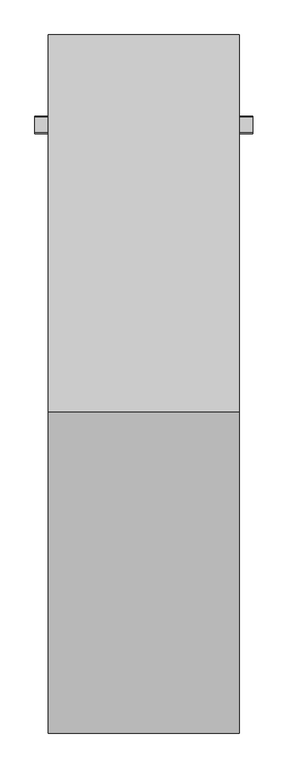
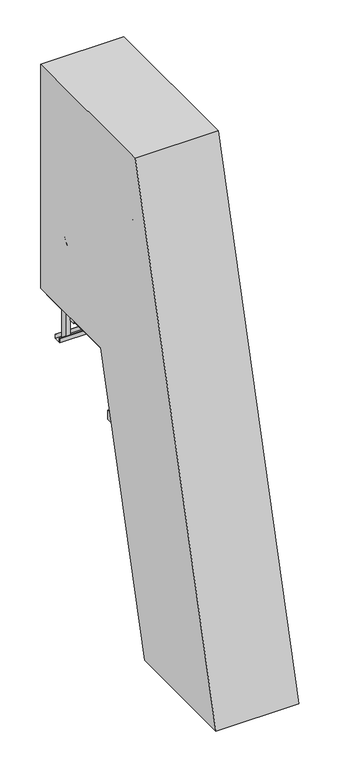
"""IFC4 building model written with IfcOpenShell, lengths in millimetres: proxy geometry."""

import ifcopenshell
import ifcopenshell.guid

model = None  # the IFC model being written
_history = None  # IfcOwnerHistory: only IFC2X3 demands one
_inside = {}  # id of a spatial element -> (the spatial element, [elements in it])
_under = {}  # id of a project, library or spatial element -> (it, [spatial elements below it])
_declared = {}  # id of a project -> (the project, [libraries it declares])
_typed = {}  # id of a type object -> (the type object, [elements of that type])
_made_of = {}  # id of a material, layer set ... -> (it, [elements and type objects made of it])


def new_model(schema):
    """Start an empty IFC model of exactly this schema.

    Asked for "IFC4X3", IfcOpenShell would pick the latest addendum, in which some entities
    have other attributes; the version numbers below select the first issue.
    IFC2X3 requires an IfcOwnerHistory on every rooted entity: one is made here for all.
    """
    global model, _history
    if schema == "IFC4X3":
        model = ifcopenshell.file(schema_version=(4, 3, 0, 0))
    else:
        model = ifcopenshell.file(schema=schema)
    _inside.clear()
    _under.clear()
    _declared.clear()
    _typed.clear()
    _made_of.clear()
    _history = None
    if model.schema == "IFC2X3":
        org = make("IfcOrganization", Name="unknown")
        user = make(
            "IfcPersonAndOrganization",
            ThePerson=make("IfcPerson", FamilyName="unknown"),
            TheOrganization=org,
        )
        app = make(
            "IfcApplication",
            ApplicationDeveloper=org,
            Version="unknown",
            ApplicationFullName="unknown",
            ApplicationIdentifier="unknown",
        )
        _history = make(
            "IfcOwnerHistory",
            OwningUser=user,
            OwningApplication=app,
            ChangeAction="ADDED",
            CreationDate=0,
        )
    return model


def make(cls, **values):
    """One entity of the class cls with the attributes given. An attribute that is None is left unset."""
    return model.create_entity(
        cls, **{name: value for name, value in values.items() if value is not None}
    )


def rooted(cls, **values):
    """An entity with a GlobalId (a new one), such as an element, a storey or a relation."""
    return make(cls, GlobalId=ifcopenshell.guid.new(), OwnerHistory=_history, **values)


def si_unit(unit_type, name, prefix=None):
    """IfcSIUnit, for example si_unit("LENGTHUNIT", "METRE", prefix="MILLI")."""
    return make("IfcSIUnit", UnitType=unit_type, Prefix=prefix, Name=name)


def assignment(units):
    """IfcUnitAssignment: the units of a project."""
    return None if units is None else make("IfcUnitAssignment", Units=units)


def point(xyz):
    """IfcCartesianPoint."""
    return None if xyz is None else make("IfcCartesianPoint", Coordinates=xyz)


def direction(xyz):
    """IfcDirection."""
    return None if xyz is None else make("IfcDirection", DirectionRatios=xyz)


def frame(location, z_axis=None, x_axis=None):
    """IfcAxis2Placement3D, a coordinate frame: its origin and axes. An axis left out is left unset."""
    return make(
        "IfcAxis2Placement3D",
        Location=point(location),
        Axis=direction(z_axis),
        RefDirection=direction(x_axis),
    )


def frame_2d(location, x_axis=None):
    """IfcAxis2Placement2D, a coordinate frame in the plane: its origin and x axis."""
    return make(
        "IfcAxis2Placement2D", Location=point(location), RefDirection=direction(x_axis)
    )


def origin():
    """The frame at (0, 0, 0) with its axes left unset."""
    return frame((0.0, 0.0, 0.0))


def place(relative_to, where):
    """IfcLocalPlacement: puts the frame where relative to a parent placement (None: the world)."""
    return make(
        "IfcLocalPlacement", PlacementRelTo=relative_to, RelativePlacement=where
    )


def context(
    kind, dimensions, precision=None, world=None, true_north=None, identifier=None
):
    """IfcGeometricRepresentationContext, for example the 3D "Model" context."""
    return make(
        "IfcGeometricRepresentationContext",
        ContextIdentifier=identifier,
        ContextType=kind,
        CoordinateSpaceDimension=dimensions,
        Precision=precision,
        WorldCoordinateSystem=world,
        TrueNorth=true_north,
    )


def project(units=None, contexts=None):
    """IfcProject with its units and contexts."""
    return rooted(
        "IfcProject",
        Name="project",
        RepresentationContexts=contexts,
        UnitsInContext=assignment(units),
    )


def spatial(cls, under=None, at=None, **own):
    """A site, building, storey or space (cls), placed at a placement, below another one or the project."""
    s = rooted(cls, ObjectPlacement=at, **own)
    if under is not None:
        _under.setdefault(under.id(), (under, []))[1].append(s)
    return s


def polyline(points):
    """IfcPolyline through the points."""
    return make("IfcPolyline", Points=[point(p) for p in points])


def circle_curve(where, radius):
    """IfcCircle in the frame where."""
    return make("IfcCircle", Position=where, Radius=radius)


def ellipse_curve(where, semi_axis1, semi_axis2):
    """IfcEllipse in the frame where."""
    return make(
        "IfcEllipse", Position=where, SemiAxis1=semi_axis1, SemiAxis2=semi_axis2
    )


def trimmed(basis, trim1, trim2, sense, master):
    """IfcTrimmedCurve: the piece of a basis curve between two trims."""
    return make(
        "IfcTrimmedCurve",
        BasisCurve=basis,
        Trim1=trim1,
        Trim2=trim2,
        SenseAgreement=sense,
        MasterRepresentation=master,
    )


def segment(curve, same_sense, transition):
    """IfcCompositeCurveSegment."""
    return make(
        "IfcCompositeCurveSegment",
        Transition=transition,
        SameSense=same_sense,
        ParentCurve=curve,
    )


def composite_curve(segments, self_intersect=None):
    """IfcCompositeCurve: segments joined end to end."""
    return make("IfcCompositeCurve", Segments=segments, SelfIntersect=self_intersect)


def outline(outer, holes=None, kind="AREA"):
    """IfcArbitraryClosedProfileDef: a profile drawn as a closed curve; with holes, ...WithVoids."""
    if holes is None:
        return make("IfcArbitraryClosedProfileDef", ProfileType=kind, OuterCurve=outer)
    return make(
        "IfcArbitraryProfileDefWithVoids",
        ProfileType=kind,
        OuterCurve=outer,
        InnerCurves=holes,
    )


def extrude(swept, where, along, depth):
    """IfcExtrudedAreaSolid: the profile swept, set in the frame where, extruded along a direction by depth."""
    return make(
        "IfcExtrudedAreaSolid",
        SweptArea=swept,
        Position=where,
        ExtrudedDirection=direction(along),
        Depth=depth,
    )


def faces_of(points, faces, orient=None, outer=None):
    """IfcFace entities. A face is a list of loops; a loop is a list of indices into points, from 0.

    orient and outer hold one flag for each loop. By default every Orientation is true, the
    first loop of a face is its IfcFaceOuterBound and the others are IfcFaceBound.
    """
    made = []
    for i, loops in enumerate(faces):
        bounds = []
        for j, loop in enumerate(loops):
            is_outer = j == 0 if outer is None else outer[i][j]
            bounds.append(
                make(
                    "IfcFaceOuterBound" if is_outer else "IfcFaceBound",
                    Bound=make("IfcPolyLoop", Polygon=[points[k] for k in loop]),
                    Orientation=True if orient is None else orient[i][j],
                )
            )
        made.append(make("IfcFace", Bounds=bounds))
    return made


def faceted_brep(points, faces, orient=None, outer=None, voids=None):
    """IfcFacetedBrep: a solid bounded by flat faces; with voids (closed shells), ...WithVoids."""
    shared = [point(p) for p in points]
    hull = make("IfcClosedShell", CfsFaces=faces_of(shared, faces, orient, outer))
    if voids is None:
        return make("IfcFacetedBrep", Outer=hull)
    return make(
        "IfcFacetedBrepWithVoids",
        Outer=hull,
        Voids=[
            make(cls, CfsFaces=faces_of(shared, fs, o, b)) for cls, fs, o, b in voids
        ],
    )


def shape(context_of_items, identifier, shape_type, items):
    """IfcShapeRepresentation: the items that make up one representation, for example the "Body"."""
    return make(
        "IfcShapeRepresentation",
        ContextOfItems=context_of_items,
        RepresentationIdentifier=identifier,
        RepresentationType=shape_type,
        Items=items,
    )


def source(mapping_origin, context_of_items, identifier, shape_type, items):
    """IfcRepresentationMap: a shape defined once, which mapped items show again and again."""
    return make(
        "IfcRepresentationMap",
        MappingOrigin=mapping_origin,
        MappedRepresentation=shape(context_of_items, identifier, shape_type, items),
    )


def transform(
    local_origin,
    x_axis=None,
    y_axis=None,
    z_axis=None,
    scale=None,
    scale2=None,
    scale3=None,
    uniform=True,
):
    """IfcCartesianTransformationOperator3D, or its non-uniform kind. x_axis, y_axis, z_axis: its Axis1, 2, 3."""
    if uniform:
        return make(
            "IfcCartesianTransformationOperator3D",
            Axis1=direction(x_axis),
            Axis2=direction(y_axis),
            LocalOrigin=point(local_origin),
            Scale=scale,
            Axis3=direction(z_axis),
        )
    return make(
        "IfcCartesianTransformationOperator3DnonUniform",
        Axis1=direction(x_axis),
        Axis2=direction(y_axis),
        LocalOrigin=point(local_origin),
        Scale=scale,
        Axis3=direction(z_axis),
        Scale2=scale2,
        Scale3=scale3,
    )


def mapped(mapping_source, mapping_target):
    """IfcMappedItem: shows the shape of a source again, moved by a transform."""
    return make(
        "IfcMappedItem", MappingSource=mapping_source, MappingTarget=mapping_target
    )


def made_of(thing, what):
    """Note that an element or type object is made of a material, layer set ...; save() writes the relation."""
    if what is not None:
        _made_of.setdefault(what.id(), (what, []))[1].append(thing)
    return thing


def element(
    cls,
    number,
    at=None,
    inside=None,
    cuts=None,
    type_object=None,
    material=None,
    context=None,
    identifier="Body",
    shape_type=None,
    held_by="IfcProductDefinitionShape",
    body=None,
    shapes=None,
    **own,
):
    """One element of the class cls, such as IfcWall. Its Tag is "e" and its number.

    at: its placement. inside: the storey or other place that contains it. cuts: it is an
    opening in that element (IfcRelVoidsElement). A single representation is given by context,
    identifier, shape_type and body (its items); several are given by shapes. held_by: the class
    of the entity that holds the representations. save() writes the other relations.
    """
    e = rooted(cls, Tag="e%d" % number, ObjectPlacement=at, **own)
    if body is not None:
        shapes = [shape(context, identifier, shape_type, body)]
    if shapes is not None:
        e.Representation = make(held_by, Representations=shapes)
    if inside is not None:
        _inside.setdefault(inside.id(), (inside, []))[1].append(e)
    if cuts is not None:
        rooted(
            "IfcRelVoidsElement", RelatingBuildingElement=cuts, RelatedOpeningElement=e
        )
    if type_object is not None:
        _typed.setdefault(type_object.id(), (type_object, []))[1].append(e)
    return made_of(e, material)


def aggregate(whole, parts):
    """IfcRelAggregates: a whole, such as a stair, and the parts it consists of."""
    return rooted("IfcRelAggregates", RelatingObject=whole, RelatedObjects=parts)


def save(model, path):
    """Write the relations noted so far, then the file.

    IfcRelAggregates (storeys below a building ...), IfcRelContainedInSpatialStructure (elements
    in a storey), IfcRelDefinesByType, IfcRelAssociatesMaterial and IfcRelDeclares: one each for
    every whole, place, type object, material and project.
    """
    for whole, parts in _under.values():
        aggregate(whole, parts)
    for where, things in _inside.values():
        rooted(
            "IfcRelContainedInSpatialStructure",
            RelatedElements=things,
            RelatingStructure=where,
        )
    for kind, things in _typed.values():
        rooted("IfcRelDefinesByType", RelatedObjects=things, RelatingType=kind)
    for what, things in _made_of.values():
        rooted("IfcRelAssociatesMaterial", RelatedObjects=things, RelatingMaterial=what)
    for by, libraries in _declared.values():
        rooted("IfcRelDeclares", RelatingContext=by, RelatedDefinitions=libraries)
    model.write(path)


def plane_surface(at):
    """IfcPlane: the flat surface through the origin of the frame at, square to its z axis."""
    return make("IfcPlane", Position=at)


def cylinder_surface(at, radius):
    """IfcCylindricalSurface: all points at the distance radius from the z axis of the frame at."""
    return make("IfcCylindricalSurface", Position=at, Radius=radius)


def revolved_surface(curve, axis_point, axis_direction):
    """IfcSurfaceOfRevolution: the curve turned about the line through axis_point along axis_direction."""
    return make(
        "IfcSurfaceOfRevolution",
        SweptCurve=make("IfcArbitraryOpenProfileDef", ProfileType="CURVE", Curve=curve),
        AxisPosition=make("IfcAxis1Placement", Location=point(axis_point), Axis=direction(axis_direction)),
    )


def advanced_brep(points, edges, surfaces, faces):
    """IfcAdvancedBrep: a solid bounded by faces that lie on surfaces and meet in shared edges.

    An edge is (start, end): straight between two places in points (the first is 0);
    or (start, end, curve); or (start, end, curve, False) where it runs against its curve.
    A face is (place in surfaces, loops), or (place, loops, False) where it looks against
    its surface's normal. A loop lists edges by number (the first is 1), with a minus sign
    where the edge is run from its end to its start. The first loop is the outer one.
    """
    corners = [point(p) for p in points]
    vertices = [make("IfcVertexPoint", VertexGeometry=c) for c in corners]
    made = []
    for start, end, *more in edges:
        made.append(
            make(
                "IfcEdgeCurve",
                EdgeStart=vertices[start],
                EdgeEnd=vertices[end],
                EdgeGeometry=more[0] if more else make("IfcPolyline", Points=[corners[start], corners[end]]),
                SameSense=more[1] if len(more) > 1 else True,
            )
        )
    hull = []
    for where, loops, *sense in faces:
        bounds = []
        for j, loop in enumerate(loops):
            ring = [make("IfcOrientedEdge", EdgeElement=made[abs(k) - 1], Orientation=k > 0) for k in loop]
            bounds.append(
                make(
                    "IfcFaceOuterBound" if j == 0 else "IfcFaceBound",
                    Bound=make("IfcEdgeLoop", EdgeList=ring),
                    Orientation=True,
                )
            )
        hull.append(make("IfcAdvancedFace", Bounds=bounds, FaceSurface=surfaces[where], SameSense=sense[0] if sense else True))
    return make("IfcAdvancedBrep", Outer=make("IfcClosedShell", CfsFaces=hull))


def specialty_equipment_dad7e647(model_context):
    return source(origin(), model_context, "Body", "SolidModel", [
        extrude(outline(composite_curve([segment(polyline([(-217.1779271, 2096.269982), (-212.7780033, 2112.6907211)]), True, "CONTINUOUS"), segment(trimmed(circle_curve(frame_2d((-194.4018539, 2094.33812)), 25.9711538), [point((-212.7780033, 2112.6907211))], [point((-169.3113411, 2101.043864))], False, "CARTESIAN"), True, "CONTINUOUS"), segment(polyline([(-169.3113411, 2101.043864), (-173.7112649, 2084.623125), (-217.1779271, 2096.269982)]), True, "CONTINUOUS")], self_intersect=False)), frame((-262.0, 0.0, 0.0), z_axis=(1.0, 0.0, 0.0), x_axis=(0.0, 1.0, 0.0)), (0.0, 0.0, 1.0), 524.0),
        extrude(outline(composite_curve([segment(polyline([(-292.3579518, 1815.6943103), (-287.958028, 1832.1150493)]), True, "CONTINUOUS"), segment(trimmed(circle_curve(frame_2d((-269.5818785, 1813.7624483)), 25.9711538), [point((-287.958028, 1832.1150493))], [point((-244.4913658, 1820.4681923))], False, "CARTESIAN"), True, "CONTINUOUS"), segment(polyline([(-244.4913658, 1820.4681923), (-248.8912896, 1804.0474533), (-292.3579518, 1815.6943103)]), True, "CONTINUOUS")], self_intersect=False)), frame((-262.0, 0.0, 0.0), z_axis=(1.0, 0.0, 0.0), x_axis=(0.0, 1.0, 0.0)), (0.0, 0.0, 1.0), 524.0),
        extrude(outline(composite_curve([segment(polyline([(-367.5379764, 1535.1186386), (-363.1380526, 1551.5393776)]), True, "CONTINUOUS"), segment(trimmed(circle_curve(frame_2d((-344.7619032, 1533.1867766)), 25.9711538), [point((-363.1380526, 1551.5393776))], [point((-319.6713905, 1539.8925206))], False, "CARTESIAN"), True, "CONTINUOUS"), segment(polyline([(-319.6713905, 1539.8925206), (-324.0713142, 1523.4717815), (-367.5379764, 1535.1186386)]), True, "CONTINUOUS")], self_intersect=False)), frame((-262.0, 0.0, 0.0), z_axis=(1.0, 0.0, 0.0), x_axis=(0.0, 1.0, 0.0)), (0.0, 0.0, 1.0), 524.0),
        extrude(outline(composite_curve([segment(polyline([(-442.7180011, 1254.5429669), (-438.3180773, 1270.9637059)]), True, "CONTINUOUS"), segment(trimmed(circle_curve(frame_2d((-419.9419278, 1252.6111049)), 25.9711538), [point((-438.3180773, 1270.9637059))], [point((-394.8514151, 1259.3168489))], False, "CARTESIAN"), True, "CONTINUOUS"), segment(polyline([(-394.8514151, 1259.3168489), (-399.2513389, 1242.8961098), (-442.7180011, 1254.5429669)]), True, "CONTINUOUS")], self_intersect=False)), frame((-262.0, 0.0, 0.0), z_axis=(1.0, 0.0, 0.0), x_axis=(0.0, 1.0, 0.0)), (0.0, 0.0, 1.0), 524.0),
        extrude(outline(composite_curve([segment(polyline([(-517.8980257, 973.9672951), (-513.4981019, 990.3880342)]), True, "CONTINUOUS"), segment(trimmed(circle_curve(frame_2d((-495.1219525, 972.0354332)), 25.9711538), [point((-513.4981019, 990.3880342))], [point((-470.0314398, 978.7411772))], False, "CARTESIAN"), True, "CONTINUOUS"), segment(polyline([(-470.0314398, 978.7411772), (-474.4313635, 962.3204381), (-517.8980257, 973.9672951)]), True, "CONTINUOUS")], self_intersect=False)), frame((-262.0, 0.0, 0.0), z_axis=(1.0, 0.0, 0.0), x_axis=(0.0, 1.0, 0.0)), (0.0, 0.0, 1.0), 524.0),
        extrude(outline(composite_curve([segment(polyline([(-593.0780504, 693.3916234), (-588.6781266, 709.8123625)]), True, "CONTINUOUS"), segment(trimmed(circle_curve(frame_2d((-570.3019772, 691.4597614)), 25.9711538), [point((-588.6781266, 709.8123625))], [point((-545.2114644, 698.1655054))], False, "CARTESIAN"), True, "CONTINUOUS"), segment(polyline([(-545.2114644, 698.1655054), (-549.6113882, 681.7447664), (-593.0780504, 693.3916234)]), True, "CONTINUOUS")], self_intersect=False)), frame((-262.0, 0.0, 0.0), z_axis=(1.0, 0.0, 0.0), x_axis=(0.0, 1.0, 0.0)), (0.0, 0.0, 1.0), 524.0),
        extrude(outline(composite_curve([segment(polyline([(-668.258075, 412.8159517), (-663.8581512, 429.2366907)]), True, "CONTINUOUS"), segment(trimmed(circle_curve(frame_2d((-645.4820018, 410.8840897)), 25.9711538), [point((-663.8581512, 429.2366907))], [point((-620.3914891, 417.5898337))], False, "CARTESIAN"), True, "CONTINUOUS"), segment(polyline([(-620.3914891, 417.5898337), (-624.7914128, 401.1690947), (-668.258075, 412.8159517)]), True, "CONTINUOUS")], self_intersect=False)), frame((-262.0, 0.0, 0.0), z_axis=(1.0, 0.0, 0.0), x_axis=(0.0, 1.0, 0.0)), (0.0, 0.0, 1.0), 524.0),
        extrude(outline(composite_curve([segment(polyline([(-141.9979024, 2376.8456537), (-137.5979787, 2393.2663928)]), True, "CONTINUOUS"), segment(trimmed(circle_curve(frame_2d((-119.2218292, 2374.9137918)), 25.9711538), [point((-137.5979787, 2393.2663928))], [point((-94.1313165, 2381.6195357))], False, "CARTESIAN"), True, "CONTINUOUS"), segment(polyline([(-94.1313165, 2381.6195357), (-98.5312403, 2365.1987967), (-141.9979024, 2376.8456537)]), True, "CONTINUOUS")], self_intersect=False)), frame((-262.0, 0.0, 0.0), z_axis=(1.0, 0.0, 0.0), x_axis=(0.0, 1.0, 0.0)), (0.0, 0.0, 1.0), 524.0),
        extrude(outline(composite_curve([segment(polyline([(-743.4380997, 132.24028), (-739.0381759, 148.661019)]), True, "CONTINUOUS"), segment(trimmed(circle_curve(frame_2d((-720.6620265, 130.308418)), 25.9711538), [point((-739.0381759, 148.661019))], [point((-695.5715137, 137.014162))], False, "CARTESIAN"), True, "CONTINUOUS"), segment(polyline([(-695.5715137, 137.014162), (-699.9714375, 120.5934229), (-743.4380997, 132.24028)]), True, "CONTINUOUS")], self_intersect=False)), frame((-262.0, 0.0, 0.0), z_axis=(1.0, 0.0, 0.0), x_axis=(0.0, 1.0, 0.0)), (0.0, 0.0, 1.0), 524.0),
        extrude(outline(polyline([(-38.0, 0.0), (0.0, 0.0), (0.0, -58.0000001), (-38.0, -58.0000001), (-38.0, 0.0)])), frame((262.0, -780.774903, 18.0115046), z_axis=(0.0, 0.25881904510250875, 0.9659258262890715), x_axis=(-1.0, 0.0, 0.0)), (0.0, 0.0, 1.0), 3523.7864779),
        extrude(outline(polyline([(-38.0, 0.0), (0.0, 0.0), (0.0, -58.0000001), (-38.0, -58.0000001), (-38.0, 0.0)])), frame((-300.0, -780.774903, 18.0115046), z_axis=(0.0, 0.25881904510250875, 0.9659258262890715), x_axis=(-1.0, 0.0, 0.0)), (0.0, 0.0, 1.0), 3523.7864779),
        faceted_brep([(-303.5, -975.5780618, 0.0), (-250.5, -975.5780618, 0.0), (-250.5, -975.5780618, 3.0), (-300.5, -975.5780618, 3.0), (-303.5, -975.5780618, 3.0), (-300.5, -615.5780618, 3.0), (-250.5, -615.5780618, 3.0), (-250.5, -615.5780618, 0.0), (-303.5, -615.5780618, 0.0), (-303.5, -615.5780618, 3.0), (-300.5, -928.5780618, 50.0), (-300.5, -662.5780618, 50.0), (-303.5, -662.5780618, 50.0), (-303.5, -928.5780618, 50.0)], [[[0, 1, 2, 3, 4]], [[5, 6, 7, 8, 9]], [[10, 11, 12, 13]], [[8, 0, 4, 13, 12, 9]], [[1, 0, 8, 7]], [[2, 1, 7, 6]], [[3, 2, 6, 5]], [[3, 5, 11, 10]], [[5, 9, 12, 11]], [[4, 3, 10, 13]]]),
        faceted_brep([(300.5, -975.5780618, 3.0), (250.5, -975.5780618, 3.0), (250.5, -975.5780618, 0.0), (303.5, -975.5780618, 0.0), (303.5, -975.5780618, 3.0), (303.5, -615.5780618, 0.0), (250.5, -615.5780618, 0.0), (250.5, -615.5780618, 3.0), (300.5, -615.5780618, 3.0), (303.5, -615.5780618, 3.0), (303.5, -662.5780618, 50.0), (303.5, -928.5780618, 50.0), (300.5, -662.5780618, 50.0), (300.5, -928.5780618, 50.0)], [[[0, 1, 2, 3, 4]], [[5, 6, 7, 8, 9]], [[1, 0, 8, 7]], [[2, 1, 7, 6]], [[3, 2, 6, 5]], [[3, 5, 9, 10, 11, 4]], [[11, 10, 12, 13]], [[8, 0, 13, 12]], [[9, 8, 12, 10]], [[0, 4, 11, 13]]]),
        extrude(outline(polyline([(300.0, 1000.0), (300.0, -80.0), (-300.0, -80.0), (-300.0, 1000.0), (300.0, 1000.0)]), holes=[polyline([(262.0, 962.0), (-262.0, 962.0), (-262.0, -42.0), (262.0, -42.0), (262.0, 962.0)])]), frame((0.0, 0.0, 2324.2375855), z_axis=(0.0, 0.0, 1.0), x_axis=(1.0, 0.0, 0.0)), (0.0, 0.0, 1.0), 57.2624145),
        extrude(outline(polyline([(702.5, 2188.0), (702.5, 2150.0), (637.5, 2150.0), (637.5, 2188.0), (640.5, 2188.0), (640.5, 2153.0), (699.5, 2153.0), (699.5, 2188.0), (702.5, 2188.0)])), frame((-400.0, 0.0, 0.0), z_axis=(1.0, 0.0, 0.0), x_axis=(0.0, 1.0, 0.0)), (0.0, 0.0, 1.0), 800.0),
        extrude(outline(polyline([(347.5, 699.0), (347.5, 641.0), (309.5, 641.0), (309.5, 699.0), (347.5, 699.0)])), frame((0.0, 0.0, 2153.0), z_axis=(0.0, 0.0, 1.0), x_axis=(1.0, 0.0, 0.0)), (0.0, 0.0, 1.0), 247.0),
        extrude(outline(polyline([(347.5, 699.0), (347.5, 641.0), (309.5, 641.0), (309.5, 699.0), (347.5, 699.0)])), frame((0.0, 0.0, 2153.0), z_axis=(0.0, 0.0, 1.0), x_axis=(1.0, 0.0, 0.0)), (0.0, 0.0, 1.0), 247.0),
        extrude(outline(polyline([(-309.5, 699.0), (-309.5, 641.0), (-347.5, 641.0), (-347.5, 699.0), (-309.5, 699.0)])), frame((0.0, 0.0, 2153.0), z_axis=(0.0, 0.0, 1.0), x_axis=(1.0, 0.0, 0.0)), (0.0, 0.0, 1.0), 247.0),
        extrude(outline(polyline([(-309.5, 699.0), (-309.5, 641.0), (-347.5, 641.0), (-347.5, 699.0), (-309.5, 699.0)])), frame((0.0, 0.0, 2153.0), z_axis=(0.0, 0.0, 1.0), x_axis=(1.0, 0.0, 0.0)), (0.0, 0.0, 1.0), 247.0),
        extrude(outline(polyline([(300.0, 1000.0), (300.0, -80.0), (-300.0, -80.0), (-300.0, 1000.0), (300.0, 1000.0)])), frame((0.0, 0.0, 2381.5), z_axis=(0.0, 0.0, 1.0), x_axis=(1.0, 0.0, 0.0)), (0.0, 0.0, 1.0), 18.5),
        extrude(outline(polyline([(0.0, -75.0156698), (0.0, 0.0), (6.0, 0.0), (6.0, -75.0156698), (0.0, -75.0156698)])), frame((300.0, -18.0012303, 2324.2375855), z_axis=(0.0, -0.22820939732088105, 0.9736120741724809), x_axis=(1.0, 0.0, 0.0)), (0.0, 0.0, 1.0), 56.5477611),
        extrude(outline(polyline([(0.0, -75.0156698), (0.0, 0.0), (6.0, 0.0), (6.0, -75.0156698), (0.0, -75.0156698)])), frame((-300.0, -91.0373922, 2307.1183047), z_axis=(0.0, -0.22820939732088125, 0.9736120741724809), x_axis=(-1.0, 0.0, 0.0)), (0.0, 0.0, 1.0), 56.5477611),
        extrude(outline(polyline([(300.0, 590.0), (300.0, 750.0), (309.5, 750.0), (309.5, 590.0), (300.0, 590.0)])), frame((0.0, 0.0, 2320.0), z_axis=(0.0, 0.0, 1.0), x_axis=(1.0, 0.0, 0.0)), (0.0, 0.0, 1.0), 80.0),
        extrude(outline(polyline([(300.0, 590.0), (300.0, 750.0), (309.5, 750.0), (309.5, 590.0), (300.0, 590.0)])), frame((0.0, 0.0, 2320.0), z_axis=(0.0, 0.0, 1.0), x_axis=(1.0, 0.0, 0.0)), (0.0, 0.0, 1.0), 80.0),
        extrude(outline(polyline([(-300.0, 750.0), (-300.0, 590.0), (-309.5, 590.0), (-309.5, 750.0), (-300.0, 750.0)])), frame((0.0, 0.0, 2320.0), z_axis=(0.0, 0.0, 1.0), x_axis=(1.0, 0.0, 0.0)), (0.0, 0.0, 1.0), 80.0),
        extrude(outline(polyline([(-300.0, 750.0), (-300.0, 590.0), (-309.5, 590.0), (-309.5, 750.0), (-300.0, 750.0)])), frame((0.0, 0.0, 2320.0), z_axis=(0.0, 0.0, 1.0), x_axis=(1.0, 0.0, 0.0)), (0.0, 0.0, 1.0), 80.0),
        extrude(outline(polyline([(262.0, 540.5), (262.0, 502.5), (-262.0, 502.5), (-262.0, 540.5), (262.0, 540.5)])), frame((0.0, 0.0, 2323.5), z_axis=(0.0, 0.0, 1.0), x_axis=(1.0, 0.0, 0.0)), (0.0, 0.0, 1.0), 58.0),
        extrude(outline(polyline([(306.5, 100.0), (306.5, -272.7695155), (300.5, -272.7695155), (300.5, 94.0), (-300.5, 94.0), (-300.5, -272.7695155), (-306.5, -272.7695155), (-306.5, 100.0), (306.5, 100.0)])), frame((0.0, 0.0, 1760.0), z_axis=(0.0, 0.0, 1.0), x_axis=(1.0, 0.0, 0.0)), (0.0, 0.0, 1.0), 80.0),
        advanced_brep(
        [(281.5, 175.7671231, 3362.0), (300.5, 180.8581578, 3381.0), (281.5, 185.9491924, 3400.0), (300.5, 57.0656309, 2919.0), (281.5, 62.1566655, 2938.0), (281.5, 51.9745962, 2900.0), (281.5, 618.0, 3362.0), (281.5, 618.0, 3400.0), (281.5, 724.0, 3256.0), (281.5, 762.0, 3256.0), (281.5, 724.0, 3044.0), (281.5, 762.0, 3044.0), (281.5, 618.0, 2938.0), (281.5, 618.0, 2900.0)],
        [
            (0, 1, ellipse_curve(frame((281.5, 180.8581578, 3381.0), z_axis=(0.0, -0.9659258262890689, 0.258819045102519), x_axis=(0.0, -0.2588190451025183, -0.9659258262890689)), 19.6702474, 19.0)),
            (1, 2, ellipse_curve(frame((281.5, 180.8581578, 3381.0), z_axis=(0.0, -0.9659258262890689, 0.258819045102519), x_axis=(0.0, -0.2588190451025183, -0.9659258262890689)), 19.6702474, 19.0)),
            (2, 0, ellipse_curve(frame((281.5, 180.8581578, 3381.0), z_axis=(0.0, -0.9659258262890689, 0.258819045102519), x_axis=(0.0, -0.2588190451025183, -0.9659258262890689)), 19.6702474, 19.0)),
            (3, 4, ellipse_curve(frame((281.5, 57.0656309, 2919.0), z_axis=(0.0, -0.9659258262890689, 0.258819045102519), x_axis=(0.0, 0.2588190451025183, 0.9659258262890689)), 19.6702474, 19.0)),
            (4, 5, ellipse_curve(frame((281.5, 57.0656309, 2919.0), z_axis=(0.0, -0.9659258262890689, 0.258819045102519), x_axis=(0.0, 0.2588190451025183, 0.9659258262890689)), 19.6702474, 19.0)),
            (5, 3, ellipse_curve(frame((281.5, 57.0656309, 2919.0), z_axis=(0.0, -0.9659258262890689, 0.258819045102519), x_axis=(0.0, 0.2588190451025183, 0.9659258262890689)), 19.6702474, 19.0)),
            (6, 7, circle_curve(frame((281.5, 618.0, 3381.0), z_axis=(0.0, -1.0, 0.0), x_axis=(0.0, 0.0, 1.0)), 19.0)),
            (7, 2),
            (0, 6),
            (7, 6, circle_curve(frame((281.5, 618.0, 3381.0), z_axis=(0.0, -1.0, 0.0), x_axis=(0.0, 0.0, 1.0)), 19.0)),
            (6, 8, circle_curve(frame((281.5, 618.0, 3256.0), z_axis=(-1.0, 0.0, 0.0), x_axis=(0.0, 0.0, 1.0)), 106.0)),
            (8, 9, circle_curve(frame((281.5, 743.0, 3256.0), z_axis=(0.0, 0.0, 1.0), x_axis=(0.0, 1.0, 0.0)), 19.0)),
            (9, 7, circle_curve(frame((281.5, 618.0, 3256.0), z_axis=(1.0, 0.0, 0.0), x_axis=(0.0, 0.0, 1.0)), 144.0)),
            (9, 8, circle_curve(frame((281.5, 743.0, 3256.0), z_axis=(0.0, 0.0, 1.0), x_axis=(0.0, 1.0, 0.0)), 19.0)),
            (8, 10),
            (10, 11, circle_curve(frame((281.5, 743.0, 3044.0), z_axis=(0.0, 0.0, 1.0), x_axis=(0.0, 1.0, 0.0)), 19.0)),
            (11, 9),
            (11, 10, circle_curve(frame((281.5, 743.0, 3044.0), z_axis=(0.0, 0.0, 1.0), x_axis=(0.0, 1.0, 0.0)), 19.0)),
            (10, 12, circle_curve(frame((281.5, 618.0, 3044.0), z_axis=(-1.0, 0.0, 0.0), x_axis=(0.0, 1.0, 0.0)), 106.0)),
            (12, 13, circle_curve(frame((281.5, 618.0, 2919.0), z_axis=(0.0, 1.0, 0.0), x_axis=(0.0, 0.0, -1.0)), 19.0)),
            (13, 11, circle_curve(frame((281.5, 618.0, 3044.0), z_axis=(1.0, 0.0, 0.0), x_axis=(0.0, 1.0, 0.0)), 144.0)),
            (13, 12, circle_curve(frame((281.5, 618.0, 2919.0), z_axis=(0.0, 1.0, 0.0), x_axis=(0.0, 0.0, -1.0)), 19.0)),
            (12, 4),
            (5, 13),
        ],
        [
            plane_surface(frame((300.5, 0.0, 2706.0281662), z_axis=(0.0, -0.9659258262890689, 0.258819045102519), x_axis=(-1.0, 0.0, 0.0))),
            cylinder_surface(frame((281.5, 106.4441506, 3381.0), z_axis=(0.0, -1.0, 0.0), x_axis=(0.0, 0.0, 1.0)), 19.0),
            revolved_surface(trimmed(ellipse_curve(frame((281.5, 618.0, 3381.0), z_axis=(0.0, -1.0, 0.0), x_axis=(0.0, 0.0, 1.0)), 19.0, 19.0), [point((281.5, 618.0, 3362.0))], [point((281.5, 618.0, 3400.0))], True, "CARTESIAN"), (281.5, 618.0, 3256.0), (-1.0, 0.0, 0.0)),
            revolved_surface(trimmed(ellipse_curve(frame((281.5, 618.0, 3381.0), z_axis=(0.0, -1.0, 0.0), x_axis=(0.0, 0.0, 1.0)), 19.0, 19.0), [point((281.5, 618.0, 3400.0))], [point((281.5, 618.0, 3362.0))], True, "CARTESIAN"), (281.5, 618.0, 3256.0), (-1.0, 0.0, 0.0)),
            cylinder_surface(frame((281.5, 743.0, 3256.0), z_axis=(0.0, 0.0, 1.0), x_axis=(0.0, 1.0, 0.0)), 19.0),
            revolved_surface(trimmed(ellipse_curve(frame((281.5, 743.0, 3044.0), z_axis=(0.0, 0.0, 1.0), x_axis=(0.0, 1.0, 0.0)), 19.0, 19.0), [point((281.5, 724.0, 3044.0))], [point((281.5, 762.0, 3044.0))], True, "CARTESIAN"), (281.5, 618.0, 3044.0), (-1.0, 0.0, 0.0)),
            revolved_surface(trimmed(ellipse_curve(frame((281.5, 743.0, 3044.0), z_axis=(0.0, 0.0, 1.0), x_axis=(0.0, 1.0, 0.0)), 19.0, 19.0), [point((281.5, 762.0, 3044.0))], [point((281.5, 724.0, 3044.0))], True, "CARTESIAN"), (281.5, 618.0, 3044.0), (-1.0, 0.0, 0.0)),
            cylinder_surface(frame((281.5, 618.0, 2919.0), z_axis=(0.0, 1.0, 0.0), x_axis=(0.0, 0.0, -1.0)), 19.0),
        ],
        [
            (0, [[1, 2, 3]]),
            (0, [[4, 5, 6]]),
            (1, [[7, 8, -2, -1, 9]]),
            (1, [[10, -9, -3, -8]]),
            (2, [[-7, 11, 12, 13]]),
            (3, [[-10, -13, 14, -11]]),
            (4, [[-12, 15, 16, 17]]),
            (4, [[-14, -17, 18, -15]]),
            (5, [[-16, 19, 20, 21]]),
            (6, [[-18, -21, 22, -19]]),
            (7, [[-20, 23, -4, -6, 24]]),
            (7, [[-22, -24, -5, -23]]),
        ],
    ),
        advanced_brep(
        [(-281.5, 618.0, 3400.0), (-281.5, 618.0, 3362.0), (-281.5, 175.7671231, 3362.0), (-300.5, 180.8581578, 3381.0), (-281.5, 185.9491924, 3400.0), (-281.5, 762.0, 3256.0), (-281.5, 724.0, 3256.0), (-281.5, 762.0, 3044.0), (-281.5, 724.0, 3044.0), (-281.5, 618.0, 2900.0), (-281.5, 618.0, 2938.0), (-281.5, 51.9745962, 2900.0), (-300.5, 57.0656309, 2919.0), (-281.5, 62.1566655, 2938.0)],
        [
            (0, 1, circle_curve(frame((-281.5, 618.0, 3381.0), z_axis=(0.0, -1.0, 0.0), x_axis=(0.0, 0.0, -1.0)), 19.0)),
            (1, 2),
            (2, 3, ellipse_curve(frame((-281.5, 180.8581578, 3381.0), z_axis=(0.0, 0.9659258262890689, -0.258819045102519), x_axis=(0.0, -0.2588190451025183, -0.9659258262890689)), 19.6702474, 19.0)),
            (3, 4, ellipse_curve(frame((-281.5, 180.8581578, 3381.0), z_axis=(0.0, 0.9659258262890689, -0.258819045102519), x_axis=(0.0, -0.2588190451025183, -0.9659258262890689)), 19.6702474, 19.0)),
            (4, 0),
            (1, 0, circle_curve(frame((-281.5, 618.0, 3381.0), z_axis=(0.0, -1.0, 0.0), x_axis=(0.0, 0.0, -1.0)), 19.0)),
            (4, 2, ellipse_curve(frame((-281.5, 180.8581578, 3381.0), z_axis=(0.0, 0.9659258262890689, -0.258819045102519), x_axis=(0.0, -0.2588190451025183, -0.9659258262890689)), 19.6702474, 19.0)),
            (0, 5, circle_curve(frame((-281.5, 618.0, 3256.0), z_axis=(-1.0, 0.0, 0.0), x_axis=(0.0, 0.0, 1.0)), 144.0)),
            (5, 6, circle_curve(frame((-281.5, 743.0, 3256.0), z_axis=(0.0, 0.0, 1.0), x_axis=(0.0, -1.0, 0.0)), 19.0)),
            (6, 1, circle_curve(frame((-281.5, 618.0, 3256.0), z_axis=(1.0, 0.0, 0.0), x_axis=(0.0, 0.0, 1.0)), 106.0)),
            (6, 5, circle_curve(frame((-281.5, 743.0, 3256.0), z_axis=(0.0, 0.0, 1.0), x_axis=(0.0, -1.0, 0.0)), 19.0)),
            (5, 7),
            (7, 8, circle_curve(frame((-281.5, 743.0, 3044.0), z_axis=(0.0, 0.0, 1.0), x_axis=(0.0, -1.0, 0.0)), 19.0)),
            (8, 6),
            (8, 7, circle_curve(frame((-281.5, 743.0, 3044.0), z_axis=(0.0, 0.0, 1.0), x_axis=(0.0, -1.0, 0.0)), 19.0)),
            (7, 9, circle_curve(frame((-281.5, 618.0, 3044.0), z_axis=(-1.0, 0.0, 0.0), x_axis=(0.0, 1.0, 0.0)), 144.0)),
            (9, 10, circle_curve(frame((-281.5, 618.0, 2919.0), z_axis=(0.0, 1.0, 0.0), x_axis=(0.0, 0.0, 1.0)), 19.0)),
            (10, 8, circle_curve(frame((-281.5, 618.0, 3044.0), z_axis=(1.0, 0.0, 0.0), x_axis=(0.0, 1.0, 0.0)), 106.0)),
            (10, 9, circle_curve(frame((-281.5, 618.0, 2919.0), z_axis=(0.0, 1.0, 0.0), x_axis=(0.0, 0.0, 1.0)), 19.0)),
            (9, 11),
            (11, 12, ellipse_curve(frame((-281.5, 57.0656309, 2919.0), z_axis=(0.0, 0.9659258262890689, -0.258819045102519), x_axis=(0.0, 0.2588190451025183, 0.9659258262890689)), 19.6702474, 19.0)),
            (12, 13, ellipse_curve(frame((-281.5, 57.0656309, 2919.0), z_axis=(0.0, 0.9659258262890689, -0.258819045102519), x_axis=(0.0, 0.2588190451025183, 0.9659258262890689)), 19.6702474, 19.0)),
            (13, 10),
            (13, 11, ellipse_curve(frame((-281.5, 57.0656309, 2919.0), z_axis=(0.0, 0.9659258262890689, -0.258819045102519), x_axis=(0.0, 0.2588190451025183, 0.9659258262890689)), 19.6702474, 19.0)),
        ],
        [
            cylinder_surface(frame((-281.5, 106.4441506, 3381.0), z_axis=(0.0, -1.0, 0.0), x_axis=(0.0, 0.0, -1.0)), 19.0),
            revolved_surface(trimmed(ellipse_curve(frame((-281.5, 618.0, 3381.0), z_axis=(0.0, -1.0, 0.0), x_axis=(0.0, 0.0, -1.0)), 19.0, 19.0), [point((-281.5, 618.0, 3400.0))], [point((-281.5, 618.0, 3362.0))], True, "CARTESIAN"), (-281.5, 618.0, 3256.0), (-1.0, 0.0, 0.0)),
            revolved_surface(trimmed(ellipse_curve(frame((-281.5, 618.0, 3381.0), z_axis=(0.0, -1.0, 0.0), x_axis=(0.0, 0.0, -1.0)), 19.0, 19.0), [point((-281.5, 618.0, 3362.0))], [point((-281.5, 618.0, 3400.0))], True, "CARTESIAN"), (-281.5, 618.0, 3256.0), (-1.0, 0.0, 0.0)),
            cylinder_surface(frame((-281.5, 743.0, 3256.0), z_axis=(0.0, 0.0, 1.0), x_axis=(0.0, -1.0, 0.0)), 19.0),
            revolved_surface(trimmed(ellipse_curve(frame((-281.5, 743.0, 3044.0), z_axis=(0.0, 0.0, 1.0), x_axis=(0.0, -1.0, 0.0)), 19.0, 19.0), [point((-281.5, 762.0, 3044.0))], [point((-281.5, 724.0, 3044.0))], True, "CARTESIAN"), (-281.5, 618.0, 3044.0), (-1.0, 0.0, 0.0)),
            revolved_surface(trimmed(ellipse_curve(frame((-281.5, 743.0, 3044.0), z_axis=(0.0, 0.0, 1.0), x_axis=(0.0, -1.0, 0.0)), 19.0, 19.0), [point((-281.5, 724.0, 3044.0))], [point((-281.5, 762.0, 3044.0))], True, "CARTESIAN"), (-281.5, 618.0, 3044.0), (-1.0, 0.0, 0.0)),
            cylinder_surface(frame((-281.5, 618.0, 2919.0), z_axis=(0.0, 1.0, 0.0), x_axis=(0.0, 0.0, 1.0)), 19.0),
            plane_surface(frame((300.5, 0.0, 2706.0281662), z_axis=(0.0, -0.9659258262890689, 0.258819045102519), x_axis=(-1.0, 0.0, 0.0))),
        ],
        [
            (0, [[1, 2, 3, 4, 5]]),
            (0, [[6, -5, 7, -2]]),
            (1, [[-1, 8, 9, 10]]),
            (2, [[-6, -10, 11, -8]]),
            (3, [[-9, 12, 13, 14]]),
            (3, [[-11, -14, 15, -12]]),
            (4, [[-13, 16, 17, 18]]),
            (5, [[-15, -18, 19, -16]]),
            (6, [[-17, 20, 21, 22, 23]]),
            (6, [[-19, -23, 24, -20]]),
            (7, [[-4, -3, -7]]),
            (7, [[-21, -24, -22]]),
        ],
    ),
        extrude(outline(polyline([(124.5782453, 2400.0), (-518.4998165, 0.0), (-1562.0582064, 0.0), (-383.0817597, 4400.0), (1000.0, 4400.0), (1000.0, 2400.0), (124.5782453, 2400.0)])), frame((-350.5, 0.0, 0.0), z_axis=(1.0, 0.0, 0.0), x_axis=(0.0, 1.0, 0.0)), (0.0, 0.0, 1.0), 701.0),
    ])


if __name__ == "__main__":
    model = new_model("IFC4")
    model_context = context("Model", 3, world=origin())
    ifc_project = project(units=[si_unit("LENGTHUNIT", "METRE", prefix="MILLI")], contexts=[model_context])
    site = spatial("IfcSite", under=ifc_project)
    building = spatial("IfcBuilding", under=site)
    placement = place(None, origin())
    specialty_equipment_shape = specialty_equipment_dad7e647(model_context)
    element("IfcBuildingElementProxy", 1, Name="Specialty Equipment", at=placement, inside=building, context=model_context, shape_type="MappedRepresentation", body=[
        mapped(specialty_equipment_shape, transform((0.0, 0.0, 0.0), x_axis=(1.0, 0.0, 0.0), y_axis=(0.0, 1.0, 0.0), z_axis=(0.0, 0.0, 1.0))),
    ])
    save(model, "model.ifc")
